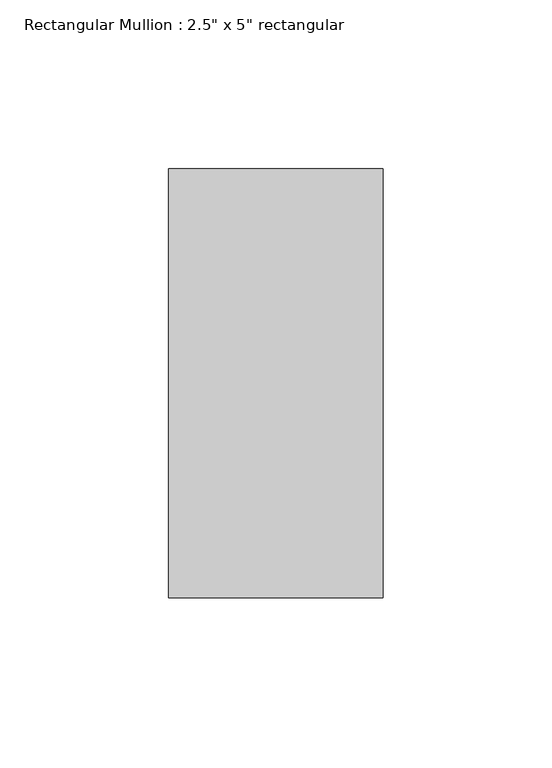
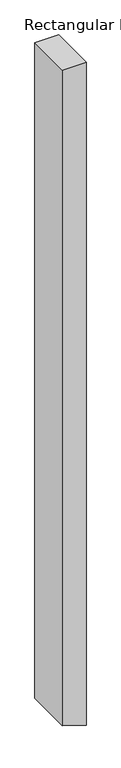
"""IFC4 building model written with IfcOpenShell, lengths in millimetres: member geometry."""

from ifc_helpers import new_model, si_unit, frame, origin, place, context, project, spatial, polyline, outline, extrude, source, transform, mapped, element, save


def member_d0ebf6fc(model_context):
    return source(origin(), model_context, "Body", "SweptSolid", [
        extrude(outline(polyline([(0.0, 31.75), (0.0, -31.75), (-1854.0177601, -31.75), (-1870.913129, 19.7828002), (-1874.8366545, 31.75), (0.0, 31.75)])), frame((0.0, -63.5, 0.0), z_axis=(0.0, 1.0, 0.0), x_axis=(0.0, 0.0, 1.0)), (0.0, 0.0, 1.0), 127.0),
    ])


if __name__ == "__main__":
    model = new_model("IFC4")
    model_context = context("Model", 3, world=origin())
    ifc_project = project(units=[si_unit("LENGTHUNIT", "METRE", prefix="MILLI")], contexts=[model_context])
    site = spatial("IfcSite", under=ifc_project)
    building = spatial("IfcBuilding", under=site)
    placement = place(None, origin())
    member_shape = member_d0ebf6fc(model_context)
    element("IfcMember", 1, ObjectType="Rectangular Mullion : 2.5\" x 5\" rectangular", at=placement, inside=building, context=model_context, shape_type="MappedRepresentation", body=[
        mapped(member_shape, transform((0.0, 0.0, 0.0), x_axis=(1.0, 0.0, 0.0), y_axis=(0.0, 1.0, 0.0), z_axis=(0.0, 0.0, 1.0))),
    ])
    save(model, "model.ifc")
